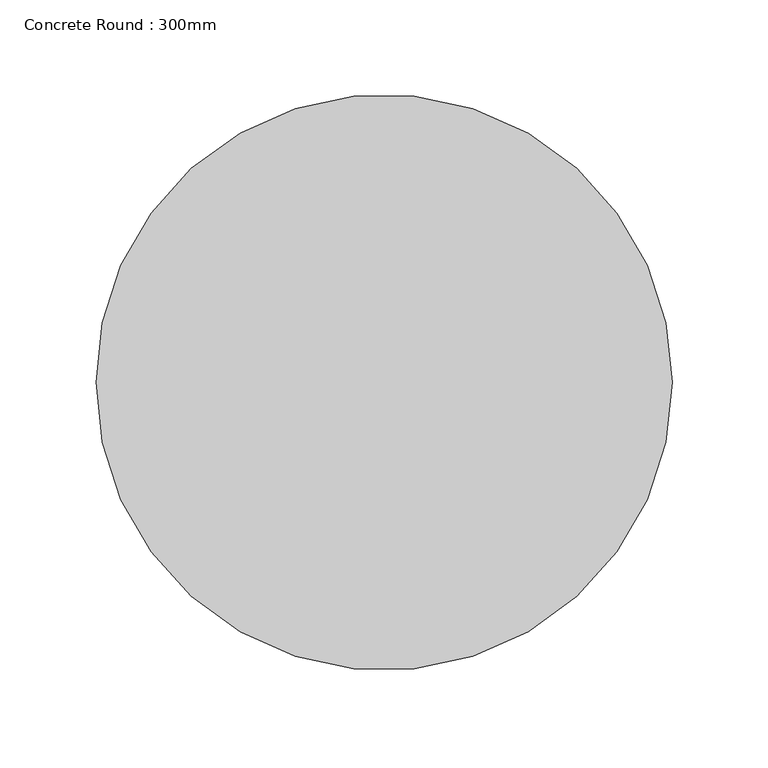
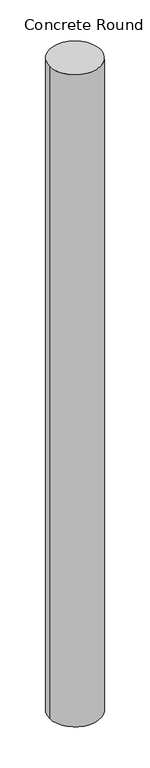
"""IFC4 building model written with IfcOpenShell, lengths in millimetres: column geometry, Concrete Round : 300mm."""

from ifc_helpers import new_model, si_unit, point, frame, origin, origin_2d, place, context, project, spatial, circle_curve, trimmed, segment, composite_curve, outline, extrude, source, transform, mapped, element, save


def concrete_round_300mm_7fce85d8(model_context):
    return source(origin(), model_context, "Body", "SweptSolid", [
        extrude(outline(composite_curve([segment(trimmed(circle_curve(origin_2d(), 150.0), [point((-150.0, 0.0))], [point((150.0, 0.0))], False, "CARTESIAN"), True, "CONTINUOUS"), segment(trimmed(circle_curve(origin_2d(), 150.0), [point((150.0, 0.0))], [point((-150.0, 0.0))], False, "CARTESIAN"), True, "CONTINUOUS")], self_intersect=False)), frame((0.0, 0.0, -450.0), z_axis=(0.0, 0.0, 1.0), x_axis=(1.0, 0.0, 0.0)), (0.0, 0.0, 1.0), 4050.0),
    ])


if __name__ == "__main__":
    model = new_model("IFC4")
    model_context = context("Model", 3, world=origin())
    ifc_project = project(units=[si_unit("LENGTHUNIT", "METRE", prefix="MILLI")], contexts=[model_context])
    site = spatial("IfcSite", under=ifc_project)
    building = spatial("IfcBuilding", under=site)
    placement = place(None, origin())
    concrete_round_300mm_shape = concrete_round_300mm_7fce85d8(model_context)
    element("IfcColumn", 1, ObjectType="Concrete Round : 300mm", at=placement, inside=building, context=model_context, shape_type="MappedRepresentation", body=[
        mapped(concrete_round_300mm_shape, transform((0.0, 0.0, 0.0), x_axis=(1.0, 0.0, 0.0), y_axis=(0.0, 1.0, 0.0), z_axis=(0.0, 0.0, 1.0))),
    ])
    save(model, "model.ifc")
